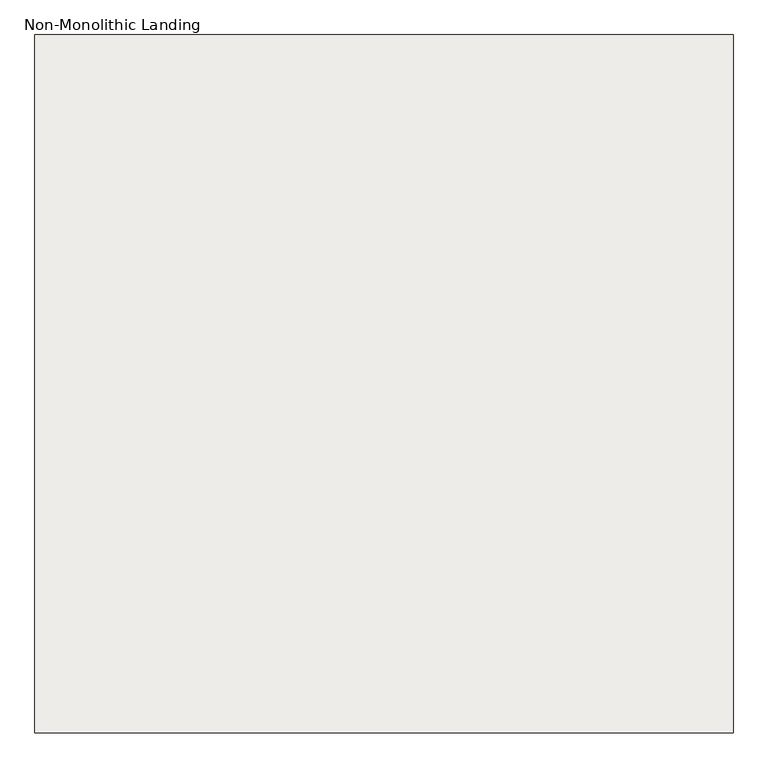
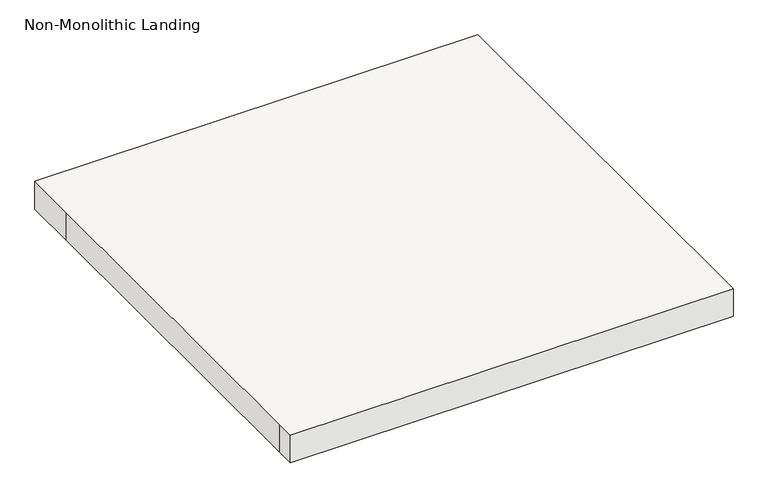
"""IFC4 building model written with IfcOpenShell, lengths in millimetres: slab geometry, Non-Monolithic Landing."""

from ifc_helpers import new_model, si_unit, frame, origin, place, context, project, spatial, polyline, outline, extrude, source, transform, mapped, element, save


def non_monolithic_landing_445dda15(model_context):
    return source(origin(), model_context, "Body", "SweptSolid", [
        extrude(outline(polyline([(8573.803833, 5087.6809329), (8573.803833, 3931.9809329), (7418.103833, 3931.9809329), (7418.103833, 3982.7809329), (7418.103833, 4947.9809329), (7418.103833, 5087.6809329), (8573.803833, 5087.6809329)])), frame((0.0, 0.0, 2118.7171875), z_axis=(0.0, 0.0, 1.0), x_axis=(1.0, 0.0, 0.0)), (0.0, 0.0, 1.0), 76.2),
    ])


if __name__ == "__main__":
    model = new_model("IFC4")
    model_context = context("Model", 3, world=origin())
    ifc_project = project(units=[si_unit("LENGTHUNIT", "METRE", prefix="MILLI")], contexts=[model_context])
    site = spatial("IfcSite", under=ifc_project)
    building = spatial("IfcBuilding", under=site)
    placement = place(None, origin())
    non_monolithic_landing_shape = non_monolithic_landing_445dda15(model_context)
    element("IfcSlab", 1, ObjectType="Non-Monolithic Landing", at=placement, inside=building, context=model_context, shape_type="MappedRepresentation", body=[
        mapped(non_monolithic_landing_shape, transform((0.0, 0.0, 0.0), x_axis=(1.0, 0.0, 0.0), y_axis=(0.0, 1.0, 0.0), z_axis=(0.0, 0.0, 1.0))),
    ])
    save(model, "model.ifc")
